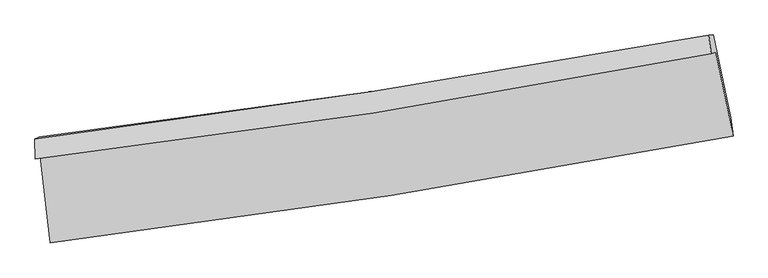
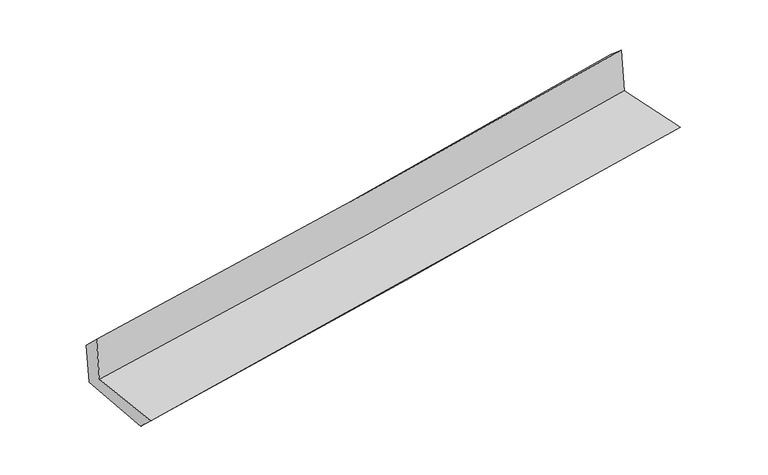
"""IFC4 building model written with IfcOpenShell, lengths in millimetres: proxy geometry."""

from ifc_helpers import new_model, si_unit, frame, origin, place, context, project, spatial, source, transform, mapped, element, save
from ifc_brep_helpers import plane_surface, spline_curve, spline_surface, advanced_brep


def generic_models_a78d5c3c(model_context):
    return source(origin(), model_context, "Body", "AdvancedBrep", [
        advanced_brep(
        [(-2617.3665764, -1887.5903892, 1666.2407797), (-2540.057026, -2550.8433844, 1648.702918), (2701.2996348, -1730.28292, 2107.0518575), (2568.5882473, -1083.1876758, 2108.1813165), (-2653.3333746, -1906.0095515, 2069.6794472), (2532.0856491, -1098.1499112, 2513.1193917), (-2657.1657848, -1751.3002614, 1923.2728699), (2514.7307321, -956.2856172, 2393.224744), (-2623.6326231, -1737.5551834, 1551.2759541), (2550.2432216, -951.9968246, 2020.8023958), (-2543.318761, -2404.6226856, 1506.5099115), (2683.8643824, -1585.8815501, 1982.658879)],
        [
            (0, 1),
            (1, 2, spline_curve(3, [(-2540.057026, -2550.8433844, 1648.702918), (-1666.564882053, -2443.528683558, 1755.855459095), (-793.97238815, -2321.668920173, 1847.578797823), (953.154237282, -2048.273875584, 2000.494492954), (1827.680630154, -1896.613484494, 2061.554134099), (2701.2996348, -1730.28292, 2107.0518575)], [4, 2, 4], [0.0, 8.671381438182848, 17.37997677920357])),
            (2, 3),
            (3, 0, spline_curve(3, [(2568.5882473, -1083.1876758, 2108.1813165), (1706.414195346, -1253.352562831, 2052.214558694), (842.234637482, -1405.573758709, 1987.304837259), (-886.434073726, -1673.554968919, 1839.91505766), (-1750.906123876, -1789.46801084, 1757.511266575), (-2617.3665764, -1887.5903892, 1666.2407797)], [4, 2, 4], [0.0, 8.708595341020722, 17.37997677920357])),
            (4, 0),
            (3, 5),
            (5, 4, spline_curve(3, [(2532.0856491, -1098.1499112, 2513.1193917), (1669.683107879, -1267.791749234, 2458.941845379), (805.434391601, -1420.041293088, 2394.79932776), (-923.054360772, -1689.179514355, 2246.901029596), (-1787.278652522, -1806.216517524, 2163.230232217), (-2653.3333746, -1906.0095515, 2069.6794472)], [4, 2, 4], [0.0, 8.660620474296834, 17.284232053791996])),
            (6, 4),
            (5, 7),
            (7, 6, spline_curve(3, [(2514.7307321, -956.2856172, 2393.224744), (1654.302648219, -1112.381651214, 2317.130794678), (792.170753232, -1256.797789632, 2239.834740444), (-931.80928264, -1521.703062375, 2083.173863693), (-1793.642893592, -1642.291805343, 2003.819293346), (-2657.1657848, -1751.3002614, 1923.2728699)], [4, 2, 4], [0.0, 8.64898204734823, 17.261004933666158])),
            (8, 6),
            (7, 9),
            (9, 8, spline_curve(3, [(2550.2432216, -951.9968246, 2020.8023958), (1689.189554362, -1109.714583806, 1951.647715044), (826.579886437, -1254.148446757, 1877.849470844), (-898.058665035, -1515.887944987, 1721.301055492), (-1760.0742786, -1633.306868451, 1638.590485935), (-2623.6326231, -1737.5551834, 1551.2759541)], [4, 2, 4], [0.0, 8.638210423370362, 17.23950771542617])),
            (10, 8),
            (9, 11),
            (11, 10, spline_curve(3, [(2683.8643824, -1585.8815501, 1982.658879), (1813.00364825, -1741.382727455, 1912.803691078), (941.039627707, -1887.487758251, 1838.101699999), (-801.364162482, -2160.321337912, 1679.344043151), (-1671.794523099, -2287.130018664, 1595.329711627), (-2543.318761, -2404.6226856, 1506.5099115)], [4, 2, 4], [0.0, 8.686254395024417, 17.33539035539625])),
            (1, 10),
            (11, 2),
        ],
        [
            spline_surface(3, 3, [[(-2617.3665764, -1887.5903892, 1666.2407797), (-1750.906124008, -1789.468010703, 1757.511266678), (-886.434073752, -1673.554968875, 1839.91505755), (842.234637507, -1405.573758753, 1987.30483737), (1706.414195202, -1253.352562769, 2052.214558708), (2568.5882473, -1083.1876758, 2108.1813165)], [(-2591.596726298, -2108.674720938, 1660.394825807), (-1722.792376718, -2007.488235014, 1756.959330807), (-855.613511859, -1889.59295262, 1842.469637637), (879.207837428, -1619.807131068, 1991.701389266), (1746.836340209, -1467.772869975, 2055.3277505), (2612.825376468, -1298.886090515, 2107.804830167)], [(-2565.826876102, -2329.759052662, 1654.548871893), (-1694.678629335, -2225.50845931, 1756.407394914), (-824.792949998, -2105.63093634, 1845.024217677), (916.181037317, -1834.040503358, 1996.097941116), (1787.258485211, -1682.193177237, 2058.440942291), (2657.062505632, -1514.584505285, 2107.428343833)], [(-2540.057026, -2550.8433844, 1648.702918), (-1666.564882046, -2443.528683621, 1755.855459042), (-793.972388106, -2321.668920085, 1847.578797764), (953.154237238, -2048.273875673, 2000.494493013), (1827.680630218, -1896.613484443, 2061.554134082), (2701.2996348, -1730.28292, 2107.0518575)]], [4, 4], [4, 2, 4], [0.0, 2.1438558482634864], [0.0, 8.671381438182848, 17.37997677920357]),
            spline_surface(3, 3, [[(-2653.3333746, -1906.0095515, 2069.6794472), (-1787.278652545, -1806.216517568, 2163.230232215), (-923.054360827, -1689.179514485, 2246.901029544), (805.434391656, -1420.041292957, 2394.799327812), (1669.683107828, -1267.791749281, 2458.941845299), (2532.0856491, -1098.1499112, 2513.1193917)], [(-2641.344441856, -1899.869830746, 1935.199891343), (-1775.154476355, -1800.633681959, 2027.990577013), (-910.84759846, -1683.971332617, 2111.239038869), (817.701140282, -1415.218781558, 2258.967830987), (1681.9268036, -1262.978687133, 2323.366083099), (2544.253181814, -1093.162499423, 2378.140033297)], [(-2629.355509144, -1893.730109954, 1800.720335557), (-1763.030300198, -1795.050846312, 1892.750921881), (-898.640836119, -1678.763150742, 1975.577048226), (829.967888882, -1410.396270152, 2123.136334194), (1694.17049943, -1258.165624917, 2187.790320908), (2556.420714586, -1088.175087577, 2243.160674903)], [(-2617.3665764, -1887.5903892, 1666.2407797), (-1750.906124008, -1789.468010703, 1757.511266678), (-886.434073752, -1673.554968875, 1839.91505755), (842.234637507, -1405.573758753, 1987.30483737), (1706.414195202, -1253.352562769, 2052.214558708), (2568.5882473, -1083.1876758, 2108.1813165)]], [4, 4], [4, 2, 4], [0.0, 1.3424187472451508], [0.0, 8.623611579495162, 17.284232053791996]),
            spline_surface(3, 3, [[(-2657.1657848, -1751.3002614, 1923.2728699), (-1793.642893506, -1642.29180527, 2003.819293338), (-931.809282759, -1521.703062363, 2083.173863822), (792.170753352, -1256.797789644, 2239.834740314), (1654.30264822, -1112.38165113, 2317.130794564), (2514.7307321, -956.2856172, 2393.224744)], [(-2655.888314735, -1802.870024773, 1972.075062334), (-1791.521479854, -1696.933376042, 2056.956272964), (-928.890975453, -1577.528546399, 2137.749585724), (796.591966116, -1311.212290743, 2291.489602808), (1659.429468083, -1164.185017173, 2364.401144835), (2520.515704427, -1003.573715193, 2433.189626592)], [(-2654.610844665, -1854.439788127, 2020.877254766), (-1789.400066197, -1751.574946795, 2110.093252589), (-925.972668133, -1633.354030449, 2192.325307642), (801.013178893, -1365.626791858, 2343.144465318), (1664.556287965, -1215.988383238, 2411.671495029), (2526.300676773, -1050.861813207, 2473.154509108)], [(-2653.3333746, -1906.0095515, 2069.6794472), (-1787.278652545, -1806.216517568, 2163.230232215), (-923.054360827, -1689.179514485, 2246.901029544), (805.434391656, -1420.041292957, 2394.799327812), (1669.683107828, -1267.791749281, 2458.941845299), (2532.0856491, -1098.1499112, 2513.1193917)]], [4, 4], [4, 2, 4], [0.0, 0.7542179747495639], [0.0, 8.612022886317927, 17.261004933666158]),
            spline_surface(3, 3, [[(-2623.6326231, -1737.5551834, 1551.2759541), (-1760.074278636, -1633.306868326, 1638.590486003), (-898.05866505, -1515.887945045, 1721.30105555), (826.579886452, -1254.148446699, 1877.849470785), (1689.189554383, -1109.714583744, 1951.647715095), (2550.2432216, -951.9968246, 2020.8023958)], [(-2634.810343646, -1742.136876041, 1675.27492605), (-1771.263816905, -1636.301847281, 1760.333421798), (-909.308870962, -1517.826317505, 1841.925324973), (815.110175409, -1255.031561034, 1998.511227293), (1677.560585667, -1110.603606206, 2073.47540823), (2538.405725106, -953.426422133, 2144.943178512)], [(-2645.988064254, -1746.718568759, 1799.27389795), (-1782.453355237, -1639.296826314, 1882.076357542), (-920.559076847, -1519.764689903, 1962.5495944), (803.640464395, -1255.914675308, 2119.172983806), (1665.931616935, -1111.492628668, 2195.303101429), (2526.568228594, -954.856019667, 2269.083961288)], [(-2657.1657848, -1751.3002614, 1923.2728699), (-1793.642893506, -1642.29180527, 2003.819293338), (-931.809282759, -1521.703062363, 2083.173863822), (792.170753352, -1256.797789644, 2239.834740314), (1654.30264822, -1112.38165113, 2317.130794564), (2514.7307321, -956.2856172, 2393.224744)]], [4, 4], [4, 2, 4], [0.0, 1.192765695588182], [0.0, 8.60129729205581, 17.23950771542617]),
            spline_surface(3, 3, [[(-2543.318761, -2404.6226856, 1506.5099115), (-1671.794522971, -2287.130018747, 1595.329711483), (-801.364162488, -2160.321337813, 1679.344043026), (941.039627713, -1887.487758351, 1838.101700125), (1813.003648363, -1741.382727441, 1912.80369105), (2683.8643824, -1585.8815501, 1982.658879)], [(-2570.090048395, -2182.26685156, 1521.431925691), (-1701.221108221, -2069.188968634, 1609.749969647), (-833.595663322, -1945.510206873, 1693.329713889), (902.886380646, -1676.37465445, 1851.350957033), (1771.732283699, -1530.826679547, 1925.751699061), (2639.323995463, -1374.586641605, 1995.373384596)], [(-2596.861335705, -1959.91101744, 1536.353939909), (-1730.647693386, -1851.247918439, 1624.170227839), (-865.827164216, -1730.699075985, 1707.315384687), (864.733133519, -1465.2615506, 1864.600213877), (1730.460919047, -1320.270631638, 1938.699707084), (2594.783608537, -1163.291733095, 2008.087890204)], [(-2623.6326231, -1737.5551834, 1551.2759541), (-1760.074278636, -1633.306868326, 1638.590486003), (-898.05866505, -1515.887945045, 1721.30105555), (826.579886452, -1254.148446699, 1877.849470785), (1689.189554383, -1109.714583744, 1951.647715095), (2550.2432216, -951.9968246, 2020.8023958)]], [4, 4], [4, 2, 4], [0.0, 2.1286775480486844], [0.0, 8.649135960371833, 17.33539035539625]),
            spline_surface(3, 3, [[(-2540.057026, -2550.8433844, 1648.702918), (-1666.564882046, -2443.528683621, 1755.855459042), (-793.972388106, -2321.668920085, 1847.578797764), (953.154237238, -2048.273875673, 2000.494493013), (1827.680630218, -1896.613484443, 2061.554134082), (2701.2996348, -1730.28292, 2107.0518575)], [(-2541.14427097, -2502.103151441, 1601.305249174), (-1668.308095658, -2391.395795304, 1702.34687653), (-796.436312926, -2267.886392652, 1791.500546165), (949.116034038, -1994.678503223, 1946.363562031), (1822.788302956, -1844.869898773, 2011.970653074), (2695.487884023, -1682.149130031, 2065.587531336)], [(-2542.23151603, -2453.362918559, 1553.907580326), (-1670.051309359, -2339.262907064, 1648.838293996), (-798.900237669, -2214.103865246, 1735.422294625), (945.077830913, -1941.083130801, 1892.232631107), (1817.895975625, -1793.12631311, 1962.387172058), (2689.676133177, -1634.015340069, 2024.123205164)], [(-2543.318761, -2404.6226856, 1506.5099115), (-1671.794522971, -2287.130018747, 1595.329711484), (-801.364162488, -2160.321337813, 1679.344043026), (941.039627713, -1887.487758351, 1838.101700125), (1813.003648363, -1741.382727441, 1912.80369105), (2683.8643824, -1585.8815501, 1982.658879)]], [4, 4], [4, 2, 4], [0.0, 0.7578804174125611], [0.0, 8.707715248182081, 17.45280032855247]),
            plane_surface(frame((2591.8019779, -1234.2974165, 2187.5064308), z_axis=(0.9751854891707793, 0.19983239534490607, 0.0952904794901641), x_axis=(-0.09491860029306234, -0.01146318369746596, 0.9954190347476404))),
            plane_surface(frame((-2605.8123576, -2039.6535759, 1727.6136467), z_axis=(-0.9892195767780768, -0.11283645556216991, -0.09334111213805654), x_axis=(-0.11573741453069476, 0.9929327818113894, 0.026255317214727413))),
        ],
        [
            (0, [[1, 2, 3, 4]]),
            (1, [[5, -4, 6, 7]]),
            (2, [[8, -7, 9, 10]]),
            (3, [[11, -10, 12, 13]]),
            (4, [[14, -13, 15, 16]]),
            (5, [[17, -16, 18, -2]]),
            (6, [[-12, -9, -6, -3, -18, -15]]),
            (7, [[-1, -5, -8, -11, -14, -17]]),
        ],
    ),
    ])


if __name__ == "__main__":
    model = new_model("IFC4")
    model_context = context("Model", 3, world=origin())
    ifc_project = project(units=[si_unit("LENGTHUNIT", "METRE", prefix="MILLI")], contexts=[model_context])
    site = spatial("IfcSite", under=ifc_project)
    building = spatial("IfcBuilding", under=site)
    placement = place(None, origin())
    generic_models_shape = generic_models_a78d5c3c(model_context)
    element("IfcBuildingElementProxy", 1, Name="Generic Models", at=placement, inside=building, context=model_context, shape_type="MappedRepresentation", body=[
        mapped(generic_models_shape, transform((0.0, 0.0, 0.0), x_axis=(1.0, 0.0, 0.0), y_axis=(0.0, 1.0, 0.0), z_axis=(0.0, 0.0, 1.0))),
    ])
    save(model, "model.ifc")
